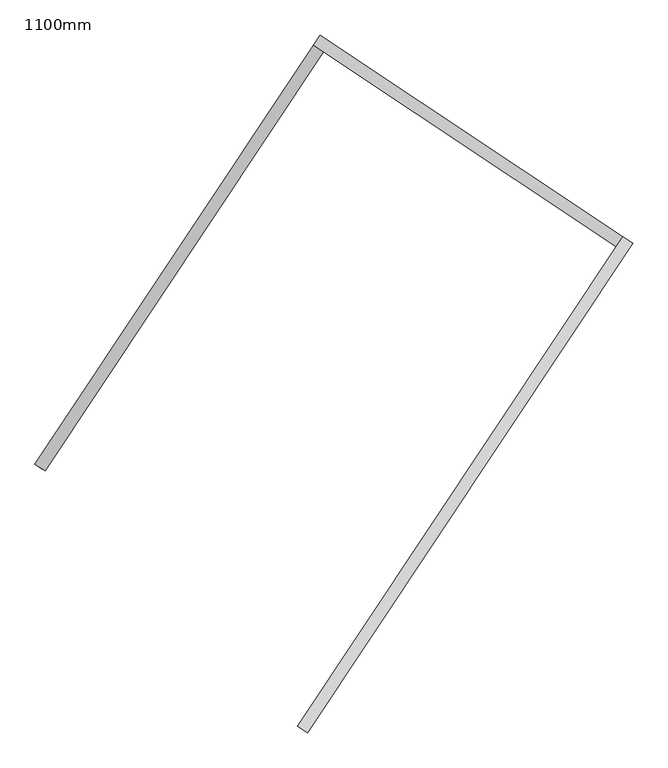
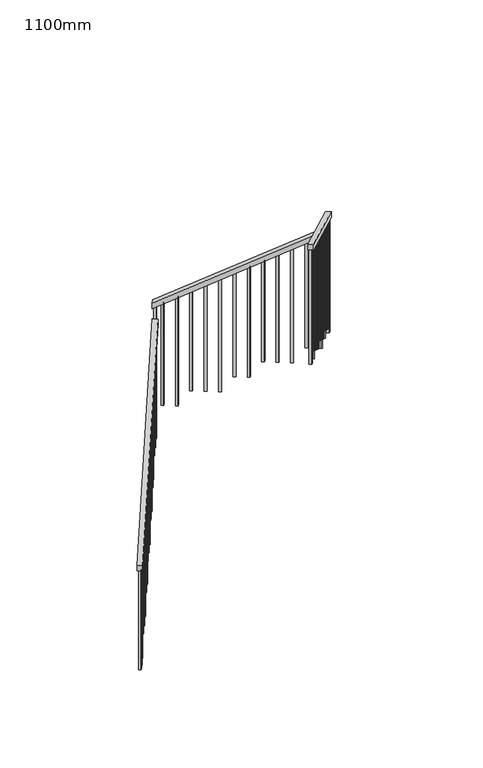
"""IFC4 building model written with IfcOpenShell, lengths in millimetres: railing geometry, 1100mm."""

import ifcopenshell
import ifcopenshell.guid

model = None  # the IFC model being written
_history = None  # IfcOwnerHistory: only IFC2X3 demands one
_inside = {}  # id of a spatial element -> (the spatial element, [elements in it])
_under = {}  # id of a project, library or spatial element -> (it, [spatial elements below it])
_declared = {}  # id of a project -> (the project, [libraries it declares])
_typed = {}  # id of a type object -> (the type object, [elements of that type])
_made_of = {}  # id of a material, layer set ... -> (it, [elements and type objects made of it])


def new_model(schema):
    """Start an empty IFC model of exactly this schema.

    Asked for "IFC4X3", IfcOpenShell would pick the latest addendum, in which some entities
    have other attributes; the version numbers below select the first issue.
    IFC2X3 requires an IfcOwnerHistory on every rooted entity: one is made here for all.
    """
    global model, _history
    if schema == "IFC4X3":
        model = ifcopenshell.file(schema_version=(4, 3, 0, 0))
    else:
        model = ifcopenshell.file(schema=schema)
    _inside.clear()
    _under.clear()
    _declared.clear()
    _typed.clear()
    _made_of.clear()
    _history = None
    if model.schema == "IFC2X3":
        org = make("IfcOrganization", Name="unknown")
        user = make(
            "IfcPersonAndOrganization",
            ThePerson=make("IfcPerson", FamilyName="unknown"),
            TheOrganization=org,
        )
        app = make(
            "IfcApplication",
            ApplicationDeveloper=org,
            Version="unknown",
            ApplicationFullName="unknown",
            ApplicationIdentifier="unknown",
        )
        _history = make(
            "IfcOwnerHistory",
            OwningUser=user,
            OwningApplication=app,
            ChangeAction="ADDED",
            CreationDate=0,
        )
    return model


def make(cls, **values):
    """One entity of the class cls with the attributes given. An attribute that is None is left unset."""
    return model.create_entity(
        cls, **{name: value for name, value in values.items() if value is not None}
    )


def rooted(cls, **values):
    """An entity with a GlobalId (a new one), such as an element, a storey or a relation."""
    return make(cls, GlobalId=ifcopenshell.guid.new(), OwnerHistory=_history, **values)


def si_unit(unit_type, name, prefix=None):
    """IfcSIUnit, for example si_unit("LENGTHUNIT", "METRE", prefix="MILLI")."""
    return make("IfcSIUnit", UnitType=unit_type, Prefix=prefix, Name=name)


def assignment(units):
    """IfcUnitAssignment: the units of a project."""
    return None if units is None else make("IfcUnitAssignment", Units=units)


def point(xyz):
    """IfcCartesianPoint."""
    return None if xyz is None else make("IfcCartesianPoint", Coordinates=xyz)


def direction(xyz):
    """IfcDirection."""
    return None if xyz is None else make("IfcDirection", DirectionRatios=xyz)


def frame(location, z_axis=None, x_axis=None):
    """IfcAxis2Placement3D, a coordinate frame: its origin and axes. An axis left out is left unset."""
    return make(
        "IfcAxis2Placement3D",
        Location=point(location),
        Axis=direction(z_axis),
        RefDirection=direction(x_axis),
    )


def origin():
    """The frame at (0, 0, 0) with its axes left unset."""
    return frame((0.0, 0.0, 0.0))


def place(relative_to, where):
    """IfcLocalPlacement: puts the frame where relative to a parent placement (None: the world)."""
    return make(
        "IfcLocalPlacement", PlacementRelTo=relative_to, RelativePlacement=where
    )


def context(
    kind, dimensions, precision=None, world=None, true_north=None, identifier=None
):
    """IfcGeometricRepresentationContext, for example the 3D "Model" context."""
    return make(
        "IfcGeometricRepresentationContext",
        ContextIdentifier=identifier,
        ContextType=kind,
        CoordinateSpaceDimension=dimensions,
        Precision=precision,
        WorldCoordinateSystem=world,
        TrueNorth=true_north,
    )


def project(units=None, contexts=None):
    """IfcProject with its units and contexts."""
    return rooted(
        "IfcProject",
        Name="project",
        RepresentationContexts=contexts,
        UnitsInContext=assignment(units),
    )


def spatial(cls, under=None, at=None, **own):
    """A site, building, storey or space (cls), placed at a placement, below another one or the project."""
    s = rooted(cls, ObjectPlacement=at, **own)
    if under is not None:
        _under.setdefault(under.id(), (under, []))[1].append(s)
    return s


def polyline(points):
    """IfcPolyline through the points."""
    return make("IfcPolyline", Points=[point(p) for p in points])


def outline(outer, holes=None, kind="AREA"):
    """IfcArbitraryClosedProfileDef: a profile drawn as a closed curve; with holes, ...WithVoids."""
    if holes is None:
        return make("IfcArbitraryClosedProfileDef", ProfileType=kind, OuterCurve=outer)
    return make(
        "IfcArbitraryProfileDefWithVoids",
        ProfileType=kind,
        OuterCurve=outer,
        InnerCurves=holes,
    )


def extrude(swept, where, along, depth):
    """IfcExtrudedAreaSolid: the profile swept, set in the frame where, extruded along a direction by depth."""
    return make(
        "IfcExtrudedAreaSolid",
        SweptArea=swept,
        Position=where,
        ExtrudedDirection=direction(along),
        Depth=depth,
    )


def shape(context_of_items, identifier, shape_type, items):
    """IfcShapeRepresentation: the items that make up one representation, for example the "Body"."""
    return make(
        "IfcShapeRepresentation",
        ContextOfItems=context_of_items,
        RepresentationIdentifier=identifier,
        RepresentationType=shape_type,
        Items=items,
    )


def source(mapping_origin, context_of_items, identifier, shape_type, items):
    """IfcRepresentationMap: a shape defined once, which mapped items show again and again."""
    return make(
        "IfcRepresentationMap",
        MappingOrigin=mapping_origin,
        MappedRepresentation=shape(context_of_items, identifier, shape_type, items),
    )


def transform(
    local_origin,
    x_axis=None,
    y_axis=None,
    z_axis=None,
    scale=None,
    scale2=None,
    scale3=None,
    uniform=True,
):
    """IfcCartesianTransformationOperator3D, or its non-uniform kind. x_axis, y_axis, z_axis: its Axis1, 2, 3."""
    if uniform:
        return make(
            "IfcCartesianTransformationOperator3D",
            Axis1=direction(x_axis),
            Axis2=direction(y_axis),
            LocalOrigin=point(local_origin),
            Scale=scale,
            Axis3=direction(z_axis),
        )
    return make(
        "IfcCartesianTransformationOperator3DnonUniform",
        Axis1=direction(x_axis),
        Axis2=direction(y_axis),
        LocalOrigin=point(local_origin),
        Scale=scale,
        Axis3=direction(z_axis),
        Scale2=scale2,
        Scale3=scale3,
    )


def mapped(mapping_source, mapping_target):
    """IfcMappedItem: shows the shape of a source again, moved by a transform."""
    return make(
        "IfcMappedItem", MappingSource=mapping_source, MappingTarget=mapping_target
    )


def made_of(thing, what):
    """Note that an element or type object is made of a material, layer set ...; save() writes the relation."""
    if what is not None:
        _made_of.setdefault(what.id(), (what, []))[1].append(thing)
    return thing


def element(
    cls,
    number,
    at=None,
    inside=None,
    cuts=None,
    type_object=None,
    material=None,
    context=None,
    identifier="Body",
    shape_type=None,
    held_by="IfcProductDefinitionShape",
    body=None,
    shapes=None,
    **own,
):
    """One element of the class cls, such as IfcWall. Its Tag is "e" and its number.

    at: its placement. inside: the storey or other place that contains it. cuts: it is an
    opening in that element (IfcRelVoidsElement). A single representation is given by context,
    identifier, shape_type and body (its items); several are given by shapes. held_by: the class
    of the entity that holds the representations. save() writes the other relations.
    """
    e = rooted(cls, Tag="e%d" % number, ObjectPlacement=at, **own)
    if body is not None:
        shapes = [shape(context, identifier, shape_type, body)]
    if shapes is not None:
        e.Representation = make(held_by, Representations=shapes)
    if inside is not None:
        _inside.setdefault(inside.id(), (inside, []))[1].append(e)
    if cuts is not None:
        rooted(
            "IfcRelVoidsElement", RelatingBuildingElement=cuts, RelatedOpeningElement=e
        )
    if type_object is not None:
        _typed.setdefault(type_object.id(), (type_object, []))[1].append(e)
    return made_of(e, material)


def aggregate(whole, parts):
    """IfcRelAggregates: a whole, such as a stair, and the parts it consists of."""
    return rooted("IfcRelAggregates", RelatingObject=whole, RelatedObjects=parts)


def save(model, path):
    """Write the relations noted so far, then the file.

    IfcRelAggregates (storeys below a building ...), IfcRelContainedInSpatialStructure (elements
    in a storey), IfcRelDefinesByType, IfcRelAssociatesMaterial and IfcRelDeclares: one each for
    every whole, place, type object, material and project.
    """
    for whole, parts in _under.values():
        aggregate(whole, parts)
    for where, things in _inside.values():
        rooted(
            "IfcRelContainedInSpatialStructure",
            RelatedElements=things,
            RelatingStructure=where,
        )
    for kind, things in _typed.values():
        rooted("IfcRelDefinesByType", RelatedObjects=things, RelatingType=kind)
    for what, things in _made_of.values():
        rooted("IfcRelAssociatesMaterial", RelatedObjects=things, RelatingMaterial=what)
    for by, libraries in _declared.values():
        rooted("IfcRelDeclares", RelatingContext=by, RelatedDefinitions=libraries)
    model.write(path)


def railing_1100mm_5e19c58a(model_context):
    return source(origin(), model_context, "Body", "SweptSolid", [
        extrude(outline(polyline([(27.7777778, -50.0000001), (0.0, 0.0), (2374.1723105, 0.0), (2401.9500883, -50.0000001), (27.7777778, -50.0000001)])), frame((-240410.9600837, 66972.032333, 9889.4687214), z_axis=(-0.8325833518276936, 0.5538997763669554, 0.0), x_axis=(0.48419551975317343, 0.7278087949776972, 0.4856429311789337)), (0.0, 0.0, 1.0), 50.0),
        extrude(outline(polyline([(27.7777778, -50.0), (0.0, 0.0), (1716.8535239, 1e-07), (1744.6313018, -50.0), (27.7777778, -50.0)])), frame((-239303.0256555, 68727.6708102, 11208.6909437), z_axis=(0.5538997763679911, 0.8325833518270045, 0.0), x_axis=(0.7278087949775163, -0.4841955197543597, 0.4856429311780222)), (0.0, 0.0, 1.0), 50.0),
        extrude(outline(polyline([(-27.7777778, -50.0), (0.0, 0.0), (2774.5579271, 0.0), (2746.7801493, -50.0), (-27.7777778, -50.0)])), frame((-237984.1604046, 67910.3122046, 12265.8888889), z_axis=(-0.8325833518275971, 0.5538997763671001, 0.0), x_axis=(-0.48419551975350417, -0.7278087949779185, 0.48564293117827256)), (0.0, 0.0, 1.0), 50.0),
        extrude(outline(polyline([(1260.6353881, -24.9999999), (106.9444445, -24.9999999), (93.0555556, 0.0), (1260.6353881, 0.0), (1260.6353881, -24.9999999)])), frame((-239296.232171, 65960.6650751, 13607.3020548), z_axis=(-0.8325833518276005, 0.5538997763670953, 0.0), x_axis=(0.0, 0.0, -1.0)), (0.0, 0.0, 1.0), 25.0),
        extrude(outline(polyline([(1191.1909436, -25.0), (106.9444444, -25.0), (93.0555555, 0.0), (1191.1909436, 0.0), (1191.1909436, -25.0)])), frame((-239226.9946989, 66064.737994, 13537.8576103), z_axis=(-0.8325833518276005, 0.5538997763670953, 0.0), x_axis=(0.0, 0.0, -1.0)), (0.0, 0.0, 1.0), 25.0),
        extrude(outline(polyline([(1288.4131659, -25.0), (106.9444445, -25.0), (93.0555556, 0.0), (1288.4131659, 0.0), (1288.4131659, -25.0)])), frame((-239157.7572269, 66168.810913, 13468.4131659), z_axis=(-0.8325833518276005, 0.5538997763670953, 0.0), x_axis=(0.0, 0.0, -1.0)), (0.0, 0.0, 1.0), 25.0),
        extrude(outline(polyline([(1218.9687214, -25.0), (106.9444444, -25.0), (93.0555555, 0.0), (1218.9687214, 0.0), (1218.9687214, -25.0)])), frame((-239088.5197548, 66272.883832, 13398.9687214), z_axis=(-0.8325833518276005, 0.5538997763670953, 0.0), x_axis=(0.0, 0.0, -1.0)), (0.0, 0.0, 1.0), 25.0),
        extrude(outline(polyline([(1149.524277, -25.0), (106.9444445, -25.0), (93.0555556, 0.0), (1149.524277, 0.0), (1149.524277, -25.0)])), frame((-239019.2822828, 66376.956751, 13329.524277), z_axis=(-0.8325833518276005, 0.5538997763670953, 0.0), x_axis=(0.0, 0.0, -1.0)), (0.0, 0.0, 1.0), 25.0),
        extrude(outline(polyline([(1246.7464992, -25.0000001), (106.9444444, -25.0000001), (93.0555555, 0.0), (1246.7464992, 0.0), (1246.7464992, -25.0000001)])), frame((-238950.0448108, 66481.0296699, 13260.0798325), z_axis=(-0.8325833518276005, 0.5538997763670953, 0.0), x_axis=(0.0, 0.0, -1.0)), (0.0, 0.0, 1.0), 25.0),
        extrude(outline(polyline([(1177.3020548, -25.0), (106.9444444, -25.0), (93.0555555, 0.0), (1177.3020548, 0.0), (1177.3020548, -25.0)])), frame((-238880.8073387, 66585.1025889, 13190.6353881), z_axis=(-0.8325833518276005, 0.5538997763670953, 0.0), x_axis=(0.0, 0.0, -1.0)), (0.0, 0.0, 1.0), 25.0),
        extrude(outline(polyline([(1274.524277, -25.0000001), (106.9444445, -25.0000001), (93.0555556, 0.0), (1274.524277, 0.0), (1274.524277, -25.0000001)])), frame((-238811.5698667, 66689.1755079, 13121.1909437), z_axis=(-0.8325833518276005, 0.5538997763670953, 0.0), x_axis=(0.0, 0.0, -1.0)), (0.0, 0.0, 1.0), 25.0),
        extrude(outline(polyline([(1205.0798325, -25.0), (106.9444444, -25.0), (93.0555555, 0.0), (1205.0798325, 0.0), (1205.0798325, -25.0)])), frame((-238742.3323946, 66793.2484269, 13051.7464992), z_axis=(-0.8325833518276005, 0.5538997763670953, 0.0), x_axis=(0.0, 0.0, -1.0)), (0.0, 0.0, 1.0), 25.0),
        extrude(outline(polyline([(1302.3020548, -25.0), (106.9444445, -25.0), (93.0555556, 0.0), (1302.3020548, 0.0), (1302.3020548, -25.0)])), frame((-238673.0949226, 66897.3213459, 12982.3020548), z_axis=(-0.8325833518276005, 0.5538997763670953, 0.0), x_axis=(0.0, 0.0, -1.0)), (0.0, 0.0, 1.0), 25.0),
        extrude(outline(polyline([(1232.8576103, -25.0), (106.9444444, -25.0), (93.0555555, 0.0), (1232.8576103, 0.0), (1232.8576103, -25.0)])), frame((-238603.8574505, 67001.3942648, 12912.8576103), z_axis=(-0.8325833518276005, 0.5538997763670953, 0.0), x_axis=(0.0, 0.0, -1.0)), (0.0, 0.0, 1.0), 25.0),
        extrude(outline(polyline([(1163.4131659, -25.0), (106.9444445, -25.0), (93.0555556, 0.0), (1163.4131659, 0.0), (1163.4131659, -25.0)])), frame((-238534.6199785, 67105.4671838, 12843.4131659), z_axis=(-0.8325833518276005, 0.5538997763670953, 0.0), x_axis=(0.0, 0.0, -1.0)), (0.0, 0.0, 1.0), 25.0),
        extrude(outline(polyline([(1260.6353881, -25.0), (106.9444444, -25.0), (93.0555555, 0.0), (1260.6353881, 0.0), (1260.6353881, -25.0)])), frame((-238465.3825064, 67209.5401028, 12773.9687214), z_axis=(-0.8325833518276005, 0.5538997763670953, 0.0), x_axis=(0.0, 0.0, -1.0)), (0.0, 0.0, 1.0), 25.0),
        extrude(outline(polyline([(1191.1909437, -25.0), (106.9444445, -25.0), (93.0555556, 0.0), (1191.1909437, 0.0), (1191.1909437, -25.0)])), frame((-238396.1450344, 67313.6130218, 12704.524277), z_axis=(-0.8325833518276005, 0.5538997763670953, 0.0), x_axis=(0.0, 0.0, -1.0)), (0.0, 0.0, 1.0), 25.0),
        extrude(outline(polyline([(1288.4131658, -25.0), (106.9444444, -25.0), (93.0555555, 0.0), (1288.4131658, 0.0), (1288.4131658, -25.0)])), frame((-238326.9075623, 67417.6859407, 12635.0798325), z_axis=(-0.8325833518276005, 0.5538997763670953, 0.0), x_axis=(0.0, 0.0, -1.0)), (0.0, 0.0, 1.0), 25.0),
        extrude(outline(polyline([(1218.9687214, -25.0), (106.9444444, -25.0), (93.0555556, 0.0), (1218.9687214, 0.0), (1218.9687214, -25.0)])), frame((-238257.6700903, 67521.7588597, 12565.6353881), z_axis=(-0.8325833518276005, 0.5538997763670953, 0.0), x_axis=(0.0, 0.0, -1.0)), (0.0, 0.0, 1.0), 25.0),
        extrude(outline(polyline([(1149.524277, -25.0), (106.9444445, -25.0), (93.0555556, 0.0), (1149.524277, 0.0), (1149.524277, -25.0)])), frame((-238188.4326182, 67625.8317787, 12496.1909437), z_axis=(-0.8325833518276005, 0.5538997763670953, 0.0), x_axis=(0.0, 0.0, -1.0)), (0.0, 0.0, 1.0), 25.0),
        extrude(outline(polyline([(1246.7464992, -25.0), (106.9444444, -25.0), (93.0555555, 0.0), (1246.7464992, 0.0), (1246.7464992, -25.0)])), frame((-238119.1951462, 67729.9046977, 12426.7464992), z_axis=(-0.8325833518276005, 0.5538997763670953, 0.0), x_axis=(0.0, 0.0, -1.0)), (0.0, 0.0, 1.0), 25.0),
        extrude(outline(polyline([(1177.3020548, -25.0000001), (106.9444445, -25.0000001), (93.0555556, 0.0), (1177.3020548, 0.0), (1177.3020548, -25.0000001)])), frame((-238049.9576742, 67833.9776167, 12357.3020548), z_axis=(-0.8325833518276005, 0.5538997763670953, 0.0), x_axis=(0.0, 0.0, -1.0)), (0.0, 0.0, 1.0), 25.0),
        extrude(outline(polyline([(106.9444445, 0.0), (1274.524277, 0.0), (1274.524277, -25.0), (93.0555556, -25.0), (106.9444445, 0.0)])), frame((-238088.8560481, 67934.9234264, 12121.1909437), z_axis=(0.5538997763679938, 0.8325833518270027, 0.0), x_axis=(0.0, 0.0, -1.0)), (0.0, 0.0, 1.0), 25.0),
        extrude(outline(polyline([(106.9444444, 0.0), (1205.0798325, 0.0), (1205.0798325, -25.0000001), (93.0555555, -25.0000001), (106.9444444, 0.0)])), frame((-238192.9289671, 68004.1608985, 12051.7464992), z_axis=(0.5538997763679938, 0.8325833518270027, 0.0), x_axis=(0.0, 0.0, -1.0)), (0.0, 0.0, 1.0), 25.0),
        extrude(outline(polyline([(106.9444445, 0.0), (1302.3020548, 0.0), (1302.3020548, -25.0), (93.0555556, -25.0), (106.9444445, 0.0)])), frame((-238297.0018861, 68073.3983705, 11982.3020548), z_axis=(0.5538997763679938, 0.8325833518270027, 0.0), x_axis=(0.0, 0.0, -1.0)), (0.0, 0.0, 1.0), 25.0),
        extrude(outline(polyline([(106.9444444, 0.0), (1232.8576103, 0.0), (1232.8576103, -25.0), (93.0555555, -25.0), (106.9444444, 0.0)])), frame((-238401.074805, 68142.6358425, 11912.8576103), z_axis=(0.5538997763679938, 0.8325833518270027, 0.0), x_axis=(0.0, 0.0, -1.0)), (0.0, 0.0, 1.0), 25.0),
        extrude(outline(polyline([(106.9444445, 0.0), (1163.4131659, 0.0), (1163.4131659, -25.0), (93.0555556, -25.0), (106.9444445, 0.0)])), frame((-238505.147724, 68211.8733146, 11843.4131659), z_axis=(0.5538997763679938, 0.8325833518270027, 0.0), x_axis=(0.0, 0.0, -1.0)), (0.0, 0.0, 1.0), 25.0),
        extrude(outline(polyline([(106.9444444, 0.0), (1260.6353881, 0.0), (1260.6353881, -25.0), (93.0555555, -25.0), (106.9444444, 0.0)])), frame((-238609.220643, 68281.1107866, 11773.9687214), z_axis=(0.5538997763679938, 0.8325833518270027, 0.0), x_axis=(0.0, 0.0, -1.0)), (0.0, 0.0, 1.0), 25.0),
        extrude(outline(polyline([(106.9444445, 0.0), (1191.1909437, 0.0), (1191.1909437, -25.0), (93.0555556, -25.0), (106.9444445, 0.0)])), frame((-238713.293562, 68350.3482587, 11704.524277), z_axis=(0.5538997763679938, 0.8325833518270027, 0.0), x_axis=(0.0, 0.0, -1.0)), (0.0, 0.0, 1.0), 25.0),
        extrude(outline(polyline([(106.9444444, 0.0), (1288.4131658, 0.0), (1288.4131658, -24.9999999), (93.0555555, -24.9999999), (106.9444444, 0.0)])), frame((-238817.3664809, 68419.5857307, 11635.0798325), z_axis=(0.5538997763679938, 0.8325833518270027, 0.0), x_axis=(0.0, 0.0, -1.0)), (0.0, 0.0, 1.0), 25.0),
        extrude(outline(polyline([(106.9444444, 0.0), (1218.9687214, 0.0), (1218.9687214, -25.0), (93.0555556, -25.0), (106.9444444, 0.0)])), frame((-238921.4393999, 68488.8232028, 11565.6353881), z_axis=(0.5538997763679938, 0.8325833518270027, 0.0), x_axis=(0.0, 0.0, -1.0)), (0.0, 0.0, 1.0), 25.0),
        extrude(outline(polyline([(106.9444445, 0.0), (1149.524277, 0.0), (1149.524277, -25.0), (93.0555556, -25.0), (106.9444445, 0.0)])), frame((-239025.5123189, 68558.0606748, 11496.1909437), z_axis=(0.5538997763679938, 0.8325833518270027, 0.0), x_axis=(0.0, 0.0, -1.0)), (0.0, 0.0, 1.0), 25.0),
        extrude(outline(polyline([(106.9444444, 0.0), (1246.7464992, 0.0), (1246.7464992, -25.0), (93.0555555, -25.0), (106.9444444, 0.0)])), frame((-239129.5852379, 68627.2981469, 11426.7464992), z_axis=(0.5538997763679938, 0.8325833518270027, 0.0), x_axis=(0.0, 0.0, -1.0)), (0.0, 0.0, 1.0), 25.0),
        extrude(outline(polyline([(106.9444445, 0.0), (1177.3020548, 0.0), (1177.3020548, -25.0), (93.0555556, -25.0), (106.9444445, 0.0)])), frame((-239233.6581569, 68696.5356189, 11357.3020548), z_axis=(0.5538997763679938, 0.8325833518270027, 0.0), x_axis=(0.0, 0.0, -1.0)), (0.0, 0.0, 1.0), 25.0),
        extrude(outline(polyline([(106.9444445, 0.0), (1288.6353881, 0.0), (1288.6353881, -25.0), (93.0555556, -25.0), (106.9444445, 0.0)])), frame((-239285.8728341, 68685.7519515, 11135.3020548), z_axis=(-0.8325833518276953, 0.5538997763669528, 0.0), x_axis=(0.0, 0.0, -1.0)), (0.0, 0.0, 1.0), 25.0),
        extrude(outline(polyline([(106.9444444, 0.0), (1219.1909436, 0.0), (1219.1909436, -25.0), (93.0555555, -25.0), (106.9444444, 0.0)])), frame((-239355.1103061, 68581.6790325, 11065.8576103), z_axis=(-0.8325833518276953, 0.5538997763669528, 0.0), x_axis=(0.0, 0.0, -1.0)), (0.0, 0.0, 1.0), 25.0),
        extrude(outline(polyline([(106.9444445, 0.0), (1149.7464992, 0.0), (1149.7464992, -25.0), (93.0555556, -25.0), (106.9444445, 0.0)])), frame((-239424.3477782, 68477.6061135, 10996.4131659), z_axis=(-0.8325833518276953, 0.5538997763669528, 0.0), x_axis=(0.0, 0.0, -1.0)), (0.0, 0.0, 1.0), 25.0),
        extrude(outline(polyline([(106.9444444, 0.0), (1246.9687214, 0.0), (1246.9687214, -25.0), (93.0555555, -25.0), (106.9444444, 0.0)])), frame((-239493.5852502, 68373.5331946, 10926.9687214), z_axis=(-0.8325833518276953, 0.5538997763669528, 0.0), x_axis=(0.0, 0.0, -1.0)), (0.0, 0.0, 1.0), 25.0),
        extrude(outline(polyline([(106.9444445, 0.0), (1177.524277, 0.0), (1177.524277, -25.0), (93.0555556, -25.0), (106.9444445, 0.0)])), frame((-239562.8227223, 68269.4602756, 10857.524277), z_axis=(-0.8325833518276953, 0.5538997763669528, 0.0), x_axis=(0.0, 0.0, -1.0)), (0.0, 0.0, 1.0), 25.0),
        extrude(outline(polyline([(106.9444444, 0.0), (1274.7464992, 0.0), (1274.7464992, -25.0), (93.0555555, -25.0), (106.9444444, 0.0)])), frame((-239632.0601943, 68165.3873566, 10788.0798325), z_axis=(-0.8325833518276953, 0.5538997763669528, 0.0), x_axis=(0.0, 0.0, -1.0)), (0.0, 0.0, 1.0), 25.0),
        extrude(outline(polyline([(106.9444444, 0.0), (1205.3020548, 0.0), (1205.3020548, -25.0000001), (93.0555556, -25.0000001), (106.9444444, 0.0)])), frame((-239701.2976664, 68061.3144376, 10718.6353881), z_axis=(-0.8325833518276953, 0.5538997763669528, 0.0), x_axis=(0.0, 0.0, -1.0)), (0.0, 0.0, 1.0), 25.0),
        extrude(outline(polyline([(106.9444445, 0.0), (1302.524277, 0.0), (1302.524277, -25.0), (93.0555556, -25.0), (106.9444445, 0.0)])), frame((-239770.5351384, 67957.2415186, 10649.1909437), z_axis=(-0.8325833518276953, 0.5538997763669528, 0.0), x_axis=(0.0, 0.0, -1.0)), (0.0, 0.0, 1.0), 25.0),
        extrude(outline(polyline([(106.9444444, 0.0), (1233.0798325, 0.0), (1233.0798325, -25.0), (93.0555555, -25.0), (106.9444444, 0.0)])), frame((-239839.7726104, 67853.1685997, 10579.7464992), z_axis=(-0.8325833518276953, 0.5538997763669528, 0.0), x_axis=(0.0, 0.0, -1.0)), (0.0, 0.0, 1.0), 25.0),
        extrude(outline(polyline([(106.9444445, 0.0), (1163.6353881, 0.0), (1163.6353881, -25.0), (93.0555556, -25.0), (106.9444445, 0.0)])), frame((-239909.0100825, 67749.0956807, 10510.3020548), z_axis=(-0.8325833518276953, 0.5538997763669528, 0.0), x_axis=(0.0, 0.0, -1.0)), (0.0, 0.0, 1.0), 25.0),
        extrude(outline(polyline([(106.9444444, 0.0), (1260.8576103, 0.0), (1260.8576103, -25.0), (93.0555555, -25.0), (106.9444444, 0.0)])), frame((-239978.2475545, 67645.0227617, 10440.8576103), z_axis=(-0.8325833518276953, 0.5538997763669528, 0.0), x_axis=(0.0, 0.0, -1.0)), (0.0, 0.0, 1.0), 25.0),
        extrude(outline(polyline([(106.9444445, 0.0), (1191.4131659, 0.0), (1191.4131659, -25.0), (93.0555556, -25.0), (106.9444445, 0.0)])), frame((-240047.4850266, 67540.9498427, 10371.4131659), z_axis=(-0.8325833518276953, 0.5538997763669528, 0.0), x_axis=(0.0, 0.0, -1.0)), (0.0, 0.0, 1.0), 25.0),
        extrude(outline(polyline([(106.9444444, 0.0), (1288.6353881, 0.0), (1288.6353881, -25.0), (93.0555555, -25.0), (106.9444444, 0.0)])), frame((-240116.7224986, 67436.8769237, 10301.9687214), z_axis=(-0.8325833518276953, 0.5538997763669528, 0.0), x_axis=(0.0, 0.0, -1.0)), (0.0, 0.0, 1.0), 25.0),
        extrude(outline(polyline([(106.9444445, 0.0), (1219.1909437, 0.0), (1219.1909437, -25.0), (93.0555556, -25.0), (106.9444445, 0.0)])), frame((-240185.9599707, 67332.8040048, 10232.524277), z_axis=(-0.8325833518276953, 0.5538997763669528, 0.0), x_axis=(0.0, 0.0, -1.0)), (0.0, 0.0, 1.0), 25.0),
        extrude(outline(polyline([(106.9444444, 0.0), (1149.7464992, 0.0), (1149.7464992, -25.0), (93.0555555, -25.0), (106.9444444, 0.0)])), frame((-240255.1974427, 67228.7310858, 10163.0798325), z_axis=(-0.8325833518276953, 0.5538997763669528, 0.0), x_axis=(0.0, 0.0, -1.0)), (0.0, 0.0, 1.0), 25.0),
        extrude(outline(polyline([(106.9444444, 0.0), (1246.9687214, 0.0), (1246.9687214, -25.0), (93.0555556, -25.0), (106.9444444, 0.0)])), frame((-240324.4349148, 67124.6581668, 10093.6353881), z_axis=(-0.8325833518276953, 0.5538997763669528, 0.0), x_axis=(0.0, 0.0, -1.0)), (0.0, 0.0, 1.0), 25.0),
        extrude(outline(polyline([(106.9444445, 0.0), (1177.524277, 0.0), (1177.524277, -25.0), (93.0555556, -25.0), (106.9444445, 0.0)])), frame((-240393.6723868, 67020.5852478, 10024.1909437), z_axis=(-0.8325833518276953, 0.5538997763669528, 0.0), x_axis=(0.0, 0.0, -1.0)), (0.0, 0.0, 1.0), 25.0),
        extrude(outline(polyline([(1309.2464993, -24.9999999), (106.9444445, -24.9999999), (93.0555556, 0.0), (1309.2464993, 0.0), (1309.2464993, -24.9999999)])), frame((-238015.3389381, 67886.0140762, 12322.5798326), z_axis=(-0.8325833518276005, 0.5538997763670953, 0.0), x_axis=(0.0, 0.0, -1.0)), (0.0, 0.0, 1.0), 25.0),
        extrude(outline(polyline([(106.9444445, 0.0), (1309.2464993, 0.0), (1309.2464993, -25.0), (93.0555556, -25.0), (106.9444445, 0.0)])), frame((-239285.6946164, 68731.1543549, 11322.5798326), z_axis=(0.5538997763679938, 0.8325833518270027, 0.0), x_axis=(0.0, 0.0, -1.0)), (0.0, 0.0, 1.0), 25.0),
        extrude(outline(polyline([(1302.524277, -25.0), (106.9444445, -25.0), (93.0555556, 0.0), (1302.524277, 0.0), (1302.524277, -25.0)])), frame((-239337.9962141, 65897.8882903, 13649.1909437), z_axis=(-0.8325833518276005, 0.5538997763670953, 0.0), x_axis=(0.0, 0.0, -1.0)), (0.0, 0.0, 1.0), 25.0),
        extrude(outline(polyline([(106.9444445, 0.0), (1149.7464992, 0.0), (1149.7464992, -25.0), (93.0555556, -25.0), (106.9444445, 0.0)])), frame((-240421.3673756, 66978.9560802, 9996.4131659), z_axis=(-0.8325833518276953, 0.5538997763669528, 0.0), x_axis=(0.0, 0.0, -1.0)), (0.0, 0.0, 1.0), 25.0),
    ])


if __name__ == "__main__":
    model = new_model("IFC4")
    model_context = context("Model", 3, world=origin())
    ifc_project = project(units=[si_unit("LENGTHUNIT", "METRE", prefix="MILLI")], contexts=[model_context])
    site = spatial("IfcSite", under=ifc_project)
    building = spatial("IfcBuilding", under=site)
    placement = place(None, origin())
    railing_1100mm_shape = railing_1100mm_5e19c58a(model_context)
    element("IfcRailing", 1, ObjectType="1100mm", at=placement, inside=building, context=model_context, shape_type="MappedRepresentation", body=[
        mapped(railing_1100mm_shape, transform((0.0, 0.0, 0.0), x_axis=(1.0, 0.0, 0.0), y_axis=(0.0, 1.0, 0.0), z_axis=(0.0, 0.0, 1.0))),
    ])
    save(model, "model.ifc")
